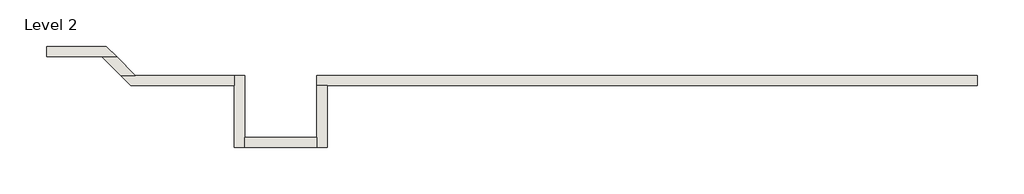
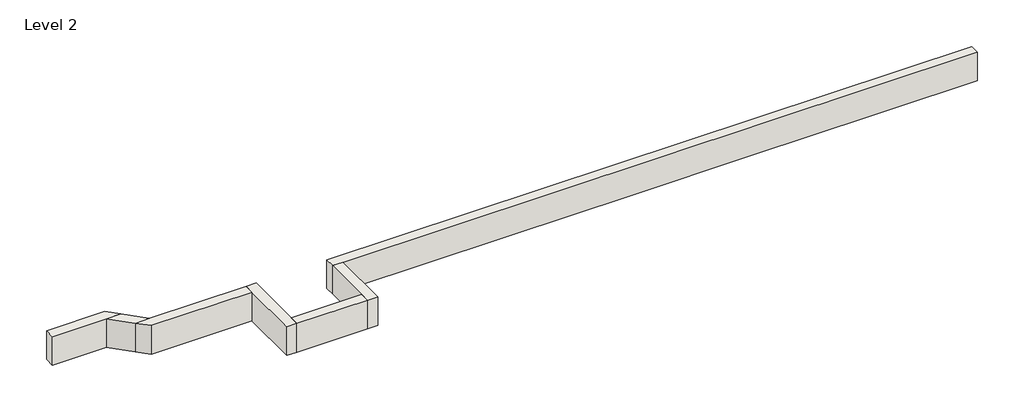
# One storey: 7 walls.
"""IFC4 building model written with IfcOpenShell, lengths in millimetres."""

from ifc_helpers import new_model, si_unit, frame, origin, place, context, project, spatial, polyline, outline, extrude, faceted_brep, element, save

model = new_model("IFC4")

# Units and contexts
model_context = context("Model", 3, world=origin())
ifc_project = project(units=[si_unit("LENGTHUNIT", "METRE", prefix="MILLI")], contexts=[model_context])

# Site, building, storey
site = spatial("IfcSite", under=ifc_project)
building = spatial("IfcBuilding", under=site)
storey = spatial("IfcBuildingStorey", under=building, Name="Level 2", Elevation=3048.0)

# Walls
placement = place(None, origin())
element("IfcWall", 1, ObjectType="Generic - 8\" Brick", at=placement, inside=storey, context=model_context, shape_type="Brep", body=[
    faceted_brep([(14630.357857, 1422.3976187, 3048.0), (10972.757857, 1422.3976187, 3048.0), (10363.157857, 1422.3976187, 3048.0), (7315.157857, 1422.3976187, 3048.0), (6705.557857, 1422.3976187, 3048.0), (4876.757857, 1422.3976187, 3048.0), (3657.557857, 1422.3976187, 3048.0), (1625.5602383, 1422.3976187, 3048.0), (1625.5602383, 1422.3976187, 3657.6), (14630.357857, 1422.3976187, 3657.6), (14630.357857, 1219.1976187, 3048.0), (14630.357857, 1219.1976187, 3657.6), (1828.7602383, 1219.1976187, 3657.6), (1625.5602383, 1219.1976187, 3657.6), (1625.5602383, 1219.1976187, 3048.0), (1828.7602383, 1219.1976187, 3048.0), (3657.557857, 1219.1976187, 3048.0), (4876.757857, 1219.1976187, 3048.0), (6705.557857, 1219.1976187, 3048.0), (7315.157857, 1219.1976187, 3048.0), (10363.157857, 1219.1976187, 3048.0), (10972.757857, 1219.1976187, 3048.0)], [[[0, 1, 2, 3, 4, 5, 6, 7, 8, 9]], [[10, 11, 12, 13, 14, 15, 16, 17, 18, 19, 20, 21]], [[7, 6, 5, 4, 3, 2, 1, 0, 10, 21, 20, 19, 18, 17, 16, 15, 14]], [[9, 8, 13, 12, 11]], [[0, 9, 11, 10]], [[8, 7, 14, 13]]]),
])
element("IfcWall", 2, ObjectType="Generic - 8\" Brick", at=placement, inside=storey, context=model_context, shape_type="Brep", body=[
    faceted_brep([(1625.5602383, 1219.1976187, 3048.0), (1625.5602383, 203.2, 3048.0), (1625.5602383, 0.0, 3048.0), (1625.5602383, 0.0, 3657.6), (1625.5602383, 203.2, 3657.6), (1625.5602383, 1219.1976187, 3657.6), (1828.7602383, 1219.1976187, 3048.0), (1828.7602383, 1219.1976187, 3657.6), (1828.7602383, 0.0, 3657.6), (1828.7602383, 0.0, 3048.0)], [[[0, 1, 2, 3, 4, 5]], [[6, 7, 8, 9]], [[2, 1, 0, 6, 9]], [[5, 4, 3, 8, 7]], [[0, 5, 7, 6]], [[3, 2, 9, 8]]]),
])
element("IfcWall", 3, ObjectType="Generic - 8\" Brick", at=placement, inside=storey, context=model_context, shape_type="SweptSolid", body=[
    extrude(outline(polyline([(203.157857, 203.2), (1625.5602383, 203.2), (1625.5602383, 0.0), (203.157857, 0.0), (203.157857, 203.2)])), frame((0.0, 0.0, 3048.0), z_axis=(0.0, 0.0, 1.0), x_axis=(1.0, 0.0, 0.0)), (0.0, 0.0, 1.0), 609.6),
])
element("IfcWall", 4, ObjectType="Generic - 8\" Brick", at=placement, inside=storey, context=model_context, shape_type="Brep", body=[
    faceted_brep([(203.157857, 0.0, 3048.0), (203.157857, 203.2, 3048.0), (203.157857, 1422.3976187, 3048.0), (203.157857, 1422.3976187, 3657.6), (203.157857, 203.2, 3657.6), (203.157857, 0.0, 3657.6), (-0.042143, 0.0, 3048.0), (-0.042143, 0.0, 3657.6), (-0.042143, 1219.1976187, 3657.6), (-0.042143, 1422.3976187, 3657.6), (-0.042143, 1422.3976187, 3048.0), (-0.042143, 1219.1976187, 3048.0)], [[[0, 1, 2, 3, 4, 5]], [[6, 7, 8, 9, 10, 11]], [[2, 1, 0, 6, 11, 10]], [[5, 4, 3, 9, 8, 7]], [[0, 5, 7, 6]], [[3, 2, 10, 9]]]),
])
element("IfcWall", 5, ObjectType="Generic - 8\" Brick", at=placement, inside=storey, context=model_context, shape_type="Brep", body=[
    faceted_brep([(-0.042143, 1422.3976187, 3048.0), (-1947.8398159, 1422.3976187, 3048.0), (-2235.2080117, 1422.3976187, 3048.0), (-2235.2080117, 1422.3976187, 3657.6), (-1947.8398159, 1422.3976187, 3657.6), (-0.042143, 1422.3976187, 3657.6), (-0.042143, 1219.1976187, 3048.0), (-0.042143, 1219.1976187, 3657.6), (-2032.0080117, 1219.1976187, 3657.6), (-2032.0080117, 1219.1976187, 3048.0)], [[[0, 1, 2, 3, 4, 5]], [[6, 7, 8, 9]], [[2, 1, 0, 6, 9]], [[5, 4, 3, 8, 7]], [[0, 5, 7, 6]], [[3, 2, 9, 8]]]),
])
element("IfcWall", 6, ObjectType="Generic - 8\" Brick", at=placement, inside=storey, context=model_context, shape_type="Brep", body=[
    faceted_brep([(-2519.1213426, 1993.6791455, 3048.0), (-3693.6817824, 1993.6791455, 3048.0), (-3693.6817824, 1993.6791455, 3657.6), (-2519.1213426, 1993.6791455, 3657.6), (-2315.9213426, 1790.4791455, 3048.0), (-2315.9213426, 1790.4791455, 3657.6), (-2603.2895385, 1790.4791455, 3657.6), (-3693.6817824, 1790.4791455, 3657.6), (-3693.6817824, 1790.4791455, 3048.0), (-2603.2895385, 1790.4791455, 3048.0)], [[[0, 1, 2, 3]], [[4, 5, 6, 7, 8, 9]], [[1, 0, 4, 9, 8]], [[3, 2, 7, 6, 5]], [[0, 3, 5, 4]], [[2, 1, 8, 7]]]),
])
element("IfcWall", 7, ObjectType="Generic - 8\" Brick", at=placement, inside=storey, context=model_context, shape_type="SweptSolid", body=[
    extrude(outline(polyline([(-2315.9213426, 1790.4791455), (-1947.8398159, 1422.3976187), (-2235.2080117, 1422.3976187), (-2603.2895385, 1790.4791455), (-2315.9213426, 1790.4791455)])), frame((0.0, 0.0, 3048.0), z_axis=(0.0, 0.0, 1.0), x_axis=(1.0, 0.0, 0.0)), (0.0, 0.0, 1.0), 609.6),
])

save(model, "model.ifc")
